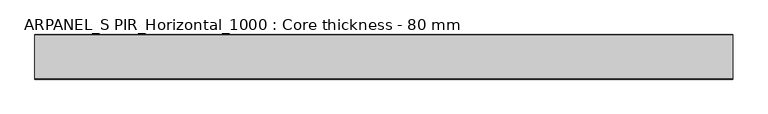
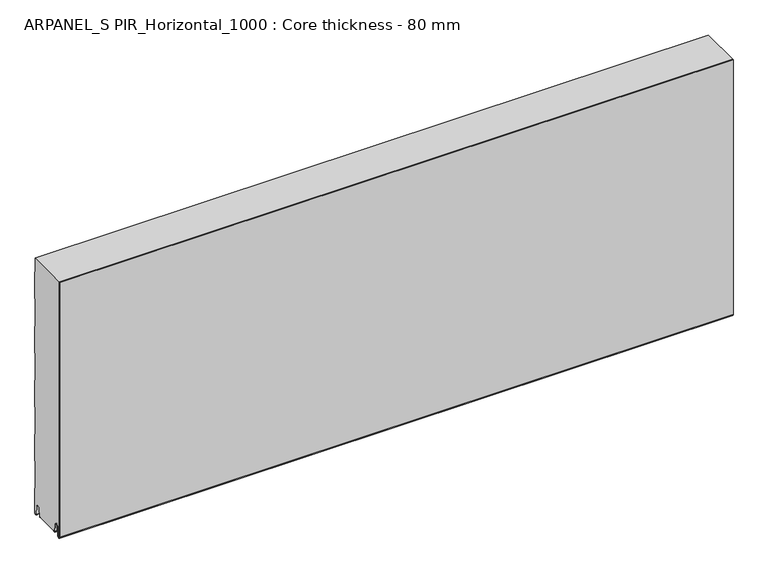
"""IFC4 building model written with IfcOpenShell, lengths in millimetres: plate geometry, ARPANEL_S PIR_Horizontal_1000 : Core thickness - 80 mm."""

from ifc_helpers import new_model, si_unit, frame, origin, place, context, project, spatial, polyline, circle_curve, source, transform, mapped, element, save
from ifc_brep_helpers import plane_surface, cylinder_surface, revolved_surface, advanced_brep


def arpanel_s_pir_horizontal_1000_core_thickness_80_mm_b45e87c7(model_context):
    return source(origin(), model_context, "Body", "AdvancedBrep", [
        advanced_brep(
        [(620.0, -79.9996949, 3.0900682), (620.0, -73.81449, 2.7875612), (620.0, -72.197116, 19.2828169), (620.0, -69.1776715, 21.9898782), (620.0, -66.1582271, 19.2828169), (620.0, -64.7725998, 5.1510966), (620.0, -60.3830995, 5.365779), (620.0, -61.1830995, 5.365779), (620.0, -63.9764178, 5.2291629), (620.0, -65.3620451, 19.3608832), (620.0, -69.1776715, 22.7899182), (620.0, -72.9932979, 19.3608832), (620.0, -74.6106719, 2.8656275), (620.0, -79.1996949, 3.0900682), (620.0, -79.2, 500.0), (620.0, -79.9996949, 500.0), (-620.0, -79.1996949, 3.0900682), (-620.0, -74.6106719, 2.8656275), (-620.0, -72.9932979, 19.3608832), (-620.0, -69.1776715, 22.7899182), (-620.0, -65.3620451, 19.3608832), (-620.0, -63.9764178, 5.2291629), (-620.0, -61.1830995, 5.365779), (-620.0, -60.3830995, 5.365779), (-620.0, -64.7725998, 5.1510966), (-620.0, -66.1582271, 19.2828169), (-620.0, -69.1776715, 21.9898782), (-620.0, -72.197116, 19.2828169), (-620.0, -73.81449, 2.7875612), (-620.0, -79.9996949, 3.0900682), (-620.0, -79.9996949, 500.0), (-620.0, -79.2, 500.0)],
        [
            (0, 1, circle_curve(frame((620.0, -76.8996949, 3.0900682), z_axis=(1.0, 0.0, 0.0), x_axis=(0.0, 0.0, -1.0)), 3.1)),
            (1, 2),
            (2, 3, circle_curve(frame((620.0, -69.2114338, 18.9900682), z_axis=(-1.0, 0.0, 0.0), x_axis=(0.0, 0.0, -1.0)), 3.0)),
            (3, 4, circle_curve(frame((620.0, -69.1439093, 18.9900682), z_axis=(-1.0, 0.0, 0.0), x_axis=(0.0, 0.0, -1.0)), 3.0)),
            (4, 5),
            (5, 6, circle_curve(frame((620.0, -62.5830995, 5.365779), z_axis=(1.0, 0.0, 0.0), x_axis=(0.0, 0.0, -1.0)), 2.2)),
            (6, 7),
            (7, 8, circle_curve(frame((620.0, -62.5830995, 5.365779), z_axis=(-1.0, 0.0, 0.0), x_axis=(0.0, 0.0, -1.0)), 1.4)),
            (8, 9),
            (9, 10, circle_curve(frame((620.0, -69.1439093, 18.9900682), z_axis=(1.0, 0.0, 0.0), x_axis=(0.0, 0.0, -1.0)), 3.8)),
            (10, 11, circle_curve(frame((620.0, -69.2114338, 18.9900682), z_axis=(1.0, 0.0, 0.0), x_axis=(0.0, 0.0, -1.0)), 3.8)),
            (11, 12),
            (12, 13, circle_curve(frame((620.0, -76.8996949, 3.0900682), z_axis=(-1.0, 0.0, 0.0), x_axis=(0.0, 0.0, -1.0)), 2.3)),
            (13, 14),
            (14, 15),
            (15, 0),
            (16, 17, circle_curve(frame((-620.0, -76.8996949, 3.0900682), z_axis=(1.0, 0.0, 0.0), x_axis=(0.0, 0.0, -1.0)), 2.3)),
            (17, 18),
            (18, 19, circle_curve(frame((-620.0, -69.2114338, 18.9900682), z_axis=(-1.0, 0.0, 0.0), x_axis=(0.0, 0.0, -1.0)), 3.8)),
            (19, 20, circle_curve(frame((-620.0, -69.1439093, 18.9900682), z_axis=(-1.0, 0.0, 0.0), x_axis=(0.0, 0.0, -1.0)), 3.8)),
            (20, 21),
            (21, 22, circle_curve(frame((-620.0, -62.5830995, 5.365779), z_axis=(1.0, 0.0, 0.0), x_axis=(0.0, 0.0, -1.0)), 1.4)),
            (22, 23),
            (23, 24, circle_curve(frame((-620.0, -62.5830995, 5.365779), z_axis=(-1.0, 0.0, 0.0), x_axis=(0.0, 0.0, -1.0)), 2.2)),
            (24, 25),
            (25, 26, circle_curve(frame((-620.0, -69.1439093, 18.9900682), z_axis=(1.0, 0.0, 0.0), x_axis=(0.0, 0.0, -1.0)), 3.0)),
            (26, 27, circle_curve(frame((-620.0, -69.2114338, 18.9900682), z_axis=(1.0, 0.0, 0.0), x_axis=(0.0, 0.0, -1.0)), 3.0)),
            (27, 28),
            (28, 29, circle_curve(frame((-620.0, -76.8996949, 3.0900682), z_axis=(-1.0, 0.0, 0.0), x_axis=(0.0, 0.0, -1.0)), 3.1)),
            (29, 30),
            (30, 31),
            (31, 16),
            (13, 16),
            (31, 14),
            (12, 17),
            (11, 18),
            (10, 19),
            (9, 20),
            (8, 21),
            (7, 22),
            (6, 23),
            (5, 24),
            (4, 25),
            (3, 26),
            (2, 27),
            (1, 28),
            (0, 29),
            (15, 30),
        ],
        [
            plane_surface(frame((620.0, -80.0, 0.0), z_axis=(1.0, 0.0, 0.0), x_axis=(0.0, 1.0, 0.0))),
            plane_surface(frame((-620.0, -80.0, 0.0), z_axis=(-1.0, 0.0, 0.0), x_axis=(0.0, 1.0, 0.0))),
            plane_surface(frame((620.0, -79.2, 3.0900682), z_axis=(0.0, 1.0, 0.0), x_axis=(-1.0, 0.0, 0.0))),
            revolved_surface(polyline([(-620.0, -76.8996949, 0.7900682000000003), (620.0, -76.8996949, 0.7900682000000003)]), (620.0, -76.8996949, 3.0900682), (-1.0, 0.0, 0.0)),
            plane_surface(frame((620.0, -72.9932979, 19.3608832), z_axis=(0.0, -0.9952273999818314, 0.09758289975914787), x_axis=(-1.0, 0.0, 0.0))),
            cylinder_surface(frame((620.0, -69.2114338, 18.9900682), z_axis=(1.0, 0.0, 0.0), x_axis=(0.0, 0.0, -1.0)), 3.8),
            cylinder_surface(frame((620.0, -69.1439093, 18.9900682), z_axis=(1.0, 0.0, 0.0), x_axis=(0.0, 0.0, -1.0)), 3.8),
            plane_surface(frame((620.0, -63.9764178, 5.2291629), z_axis=(0.0, 0.9952273999818297, 0.09758289975916531), x_axis=(-1.0, 0.0, 0.0))),
            revolved_surface(polyline([(-620.0, -62.5830995, 3.965779), (620.0, -62.5830995, 3.965779)]), (620.0, -62.5830995, 5.365779), (-1.0, 0.0, 0.0)),
            plane_surface(frame((620.0, -60.3830995, 5.365779), z_axis=(0.0, 0.0, 1.0), x_axis=(-1.0, 0.0, 0.0))),
            cylinder_surface(frame((620.0, -62.5830995, 5.365779), z_axis=(1.0, 0.0, 0.0), x_axis=(0.0, 0.0, -1.0)), 2.2),
            plane_surface(frame((620.0, -66.1582271, 19.2828169), z_axis=(0.0, -0.9952273999818296, -0.09758289975916527), x_axis=(-1.0, 0.0, 0.0))),
            revolved_surface(polyline([(-620.0, -69.1439093, 15.9900682), (620.0, -69.1439093, 15.9900682)]), (620.0, -69.1439093, 18.9900682), (-1.0, 0.0, 0.0)),
            revolved_surface(polyline([(-620.0, -69.2114338, 15.9900682), (620.0, -69.2114338, 15.9900682)]), (620.0, -69.2114338, 18.9900682), (-1.0, 0.0, 0.0)),
            plane_surface(frame((620.0, -73.81449, 2.7875612), z_axis=(0.0, 0.9952273999818314, -0.09758289975914787), x_axis=(-1.0, 0.0, 0.0))),
            cylinder_surface(frame((620.0, -76.8996949, 3.0900682), z_axis=(1.0, 0.0, 0.0), x_axis=(0.0, 0.0, -1.0)), 3.1),
            plane_surface(frame((620.0, -79.9996949, 993.9000005), z_axis=(0.0, -1.0, 0.0), x_axis=(-1.0, 0.0, 0.0))),
            plane_surface(frame((-620.0, 134.0533409, 500.0), z_axis=(0.0, 0.0, 1.0), x_axis=(1.0, 0.0, 0.0))),
        ],
        [
            (0, [[1, 2, 3, 4, 5, 6, 7, 8, 9, 10, 11, 12, 13, 14, 15, 16]]),
            (1, [[17, 18, 19, 20, 21, 22, 23, 24, 25, 26, 27, 28, 29, 30, 31, 32]]),
            (2, [[33, -32, 34, -14]]),
            (3, [[-13, 35, -17, -33]]),
            (4, [[-12, 36, -18, -35]]),
            (5, [[-11, 37, -19, -36]]),
            (6, [[-10, 38, -20, -37]]),
            (7, [[-9, 39, -21, -38]]),
            (8, [[-8, 40, -22, -39]]),
            (9, [[-7, 41, -23, -40]]),
            (10, [[-6, 42, -24, -41]]),
            (11, [[-5, 43, -25, -42]]),
            (12, [[-4, 44, -26, -43]]),
            (13, [[-3, 45, -27, -44]]),
            (14, [[-2, 46, -28, -45]]),
            (15, [[-1, 47, -29, -46]]),
            (16, [[-47, -16, 48, -30]]),
            (17, [[-15, -34, -31, -48]]),
        ],
    ),
        advanced_brep(
        [(620.0, -19.3897461, 4.3921875), (620.0, -19.6169005, 5.365779), (620.0, -18.8169005, 5.365779), (620.0, -16.0235822, 5.2291629), (620.0, -14.6379549, 19.3608832), (620.0, -10.8223285, 22.7899182), (620.0, -7.0067021, 19.3608832), (620.0, -5.3893281, 2.8656275), (620.0, -0.8003051, 3.0900682), (620.0, -0.8, 49.9459237), (620.0, -1.0986697, 50.9973395), (620.0, -1.5003051, 52.4177205), (620.0, -1.5003051, 102.5775037), (620.0, -1.0971009, 103.9969151), (620.0, -0.8, 105.0493005), (620.0, -0.8, 155.2090837), (620.0, -1.0986697, 156.2604995), (620.0, -1.5003051, 157.6808805), (620.0, -1.5003051, 207.8406637), (620.0, -1.0971009, 209.2600751), (620.0, -0.8, 210.3124605), (620.0, -0.8, 260.4722437), (620.0, -1.0986697, 261.5236595), (620.0, -1.5003051, 262.9440405), (620.0, -1.5003051, 313.1038237), (620.0, -1.0971009, 314.5232351), (620.0, -0.8, 315.5756205), (620.0, -0.8, 365.7354037), (620.0, -1.0986697, 366.7868195), (620.0, -1.5003051, 368.2072005), (620.0, -1.5003051, 418.3669837), (620.0, -1.0971009, 419.7863951), (620.0, -0.8, 420.8387805), (620.0, -0.8, 470.9985637), (620.0, -1.0986697, 472.0499795), (620.0, -1.5003051, 473.4703605), (620.0, -1.5003051, 500.0), (620.0, -79.2, 500.0), (620.0, -79.2, 3.0900682), (620.0, -74.6106719, 2.8656275), (620.0, -72.9932979, 19.3608832), (620.0, -69.1776715, 22.7899182), (620.0, -65.3620451, 19.3608832), (620.0, -63.9764178, 5.2291629), (620.0, -61.1830995, 5.365779), (620.0, -60.3830995, 5.365779), (620.0, -60.6102539, 4.3921875), (-620.0, -19.6169005, 5.365779), (-620.0, -19.3897461, 4.3921875), (-620.0, -60.6102539, 4.3921875), (-620.0, -60.3830995, 5.365779), (-620.0, -61.1830995, 5.365779), (-620.0, -61.5446132, 4.4268721), (-620.0, -63.9764178, 5.2291629), (-620.0, -65.3620451, 19.3608832), (-620.0, -69.1776715, 22.7899182), (-620.0, -72.9932979, 19.3608832), (-620.0, -74.6106719, 2.8656275), (-620.0, -79.1996949, 3.0900682), (-620.0, -79.2, 500.0), (-620.0, -1.5003051, 500.0), (-620.0, -1.5003051, 473.4703605), (-620.0, -1.0971009, 472.0509491), (-620.0, -0.8, 470.9985637), (-620.0, -0.8, 420.8387805), (-620.0, -1.0986697, 419.7873646), (-620.0, -1.5003051, 418.3669837), (-620.0, -1.5003051, 368.2072005), (-620.0, -1.0971009, 366.7877891), (-620.0, -0.8, 365.7354037), (-620.0, -0.8, 315.5756205), (-620.0, -1.0986697, 314.5242046), (-620.0, -1.5003051, 313.1038237), (-620.0, -1.5003051, 262.9440405), (-620.0, -1.0971009, 261.5246291), (-620.0, -0.8, 260.4722437), (-620.0, -0.8, 210.3124605), (-620.0, -1.0986697, 209.2610446), (-620.0, -1.5003051, 207.8406637), (-620.0, -1.5003051, 157.6808805), (-620.0, -1.0971009, 156.2614691), (-620.0, -0.8, 155.2090837), (-620.0, -0.8, 105.0493005), (-620.0, -1.0986697, 103.9978846), (-620.0, -1.5003051, 102.5775037), (-620.0, -1.5003051, 52.4177205), (-620.0, -1.0971009, 50.9983091), (-620.0, -0.8, 49.9459237), (-620.0, -0.8, 3.0900682), (-620.0, -5.3893281, 2.8656275), (-620.0, -7.0067021, 19.3608832), (-620.0, -10.8223285, 22.7899182), (-620.0, -14.6379549, 19.3608832), (-620.0, -16.0235822, 5.2291629), (-620.0, -18.4553868, 4.4268721), (-620.0, -18.8169005, 5.365779)],
        [
            (0, 1, circle_curve(frame((620.0, -17.4169005, 5.365779), z_axis=(-1.0, 0.0, 0.0), x_axis=(0.0, 0.0, -1.0)), 2.2)),
            (1, 2),
            (2, 3, circle_curve(frame((620.0, -17.4169005, 5.365779), z_axis=(1.0, 0.0, 0.0), x_axis=(0.0, 0.0, -1.0)), 1.4)),
            (3, 4),
            (4, 5, circle_curve(frame((620.0, -10.8560907, 18.9900682), z_axis=(-1.0, 0.0, 0.0), x_axis=(0.0, 0.0, -1.0)), 3.8)),
            (5, 6, circle_curve(frame((620.0, -10.7885662, 18.9900682), z_axis=(-1.0, 0.0, 0.0), x_axis=(0.0, 0.0, -1.0)), 3.8)),
            (6, 7),
            (7, 8, circle_curve(frame((620.0, -3.1003051, 3.0900682), z_axis=(1.0, 0.0, 0.0), x_axis=(0.0, 0.0, -1.0)), 2.3)),
            (8, 9),
            (9, 10, circle_curve(frame((620.0, -2.8, 49.9459237), z_axis=(1.0, 0.0, 0.0), x_axis=(0.0, 0.0, -1.0)), 2.0)),
            (10, 11, circle_curve(frame((620.0, 1.1996949, 52.4177205), z_axis=(-1.0, 0.0, 0.0), x_axis=(0.0, 0.0, -1.0)), 2.7)),
            (11, 12),
            (12, 13, circle_curve(frame((620.0, 1.1996949, 102.5775037), z_axis=(-1.0, 0.0, 0.0), x_axis=(0.0, 0.0, -1.0)), 2.7)),
            (13, 14, circle_curve(frame((620.0, -2.8, 105.0493005), z_axis=(1.0, 0.0, 0.0), x_axis=(0.0, 0.0, -1.0)), 2.0)),
            (14, 15),
            (15, 16, circle_curve(frame((620.0, -2.8, 155.2090837), z_axis=(1.0, 0.0, 0.0), x_axis=(0.0, 0.0, -1.0)), 2.0)),
            (16, 17, circle_curve(frame((620.0, 1.1996949, 157.6808805), z_axis=(-1.0, 0.0, 0.0), x_axis=(0.0, 0.0, -1.0)), 2.7)),
            (17, 18),
            (18, 19, circle_curve(frame((620.0, 1.1996949, 207.8406637), z_axis=(-1.0, 0.0, 0.0), x_axis=(0.0, 0.0, -1.0)), 2.7)),
            (19, 20, circle_curve(frame((620.0, -2.8, 210.3124605), z_axis=(1.0, 0.0, 0.0), x_axis=(0.0, 0.0, -1.0)), 2.0)),
            (20, 21),
            (21, 22, circle_curve(frame((620.0, -2.8, 260.4722437), z_axis=(1.0, 0.0, 0.0), x_axis=(0.0, 0.0, -1.0)), 2.0)),
            (22, 23, circle_curve(frame((620.0, 1.1996949, 262.9440405), z_axis=(-1.0, 0.0, 0.0), x_axis=(0.0, 0.0, -1.0)), 2.7)),
            (23, 24),
            (24, 25, circle_curve(frame((620.0, 1.1996949, 313.1038237), z_axis=(-1.0, 0.0, 0.0), x_axis=(0.0, 0.0, -1.0)), 2.7)),
            (25, 26, circle_curve(frame((620.0, -2.8, 315.5756205), z_axis=(1.0, 0.0, 0.0), x_axis=(0.0, 0.0, -1.0)), 2.0)),
            (26, 27),
            (27, 28, circle_curve(frame((620.0, -2.8, 365.7354037), z_axis=(1.0, 0.0, 0.0), x_axis=(0.0, 0.0, -1.0)), 2.0)),
            (28, 29, circle_curve(frame((620.0, 1.1996949, 368.2072005), z_axis=(-1.0, 0.0, 0.0), x_axis=(0.0, 0.0, -1.0)), 2.7)),
            (29, 30),
            (30, 31, circle_curve(frame((620.0, 1.1996949, 418.3669837), z_axis=(-1.0, 0.0, 0.0), x_axis=(0.0, 0.0, -1.0)), 2.7)),
            (31, 32, circle_curve(frame((620.0, -2.8, 420.8387805), z_axis=(1.0, 0.0, 0.0), x_axis=(0.0, 0.0, -1.0)), 2.0)),
            (32, 33),
            (33, 34, circle_curve(frame((620.0, -2.8, 470.9985637), z_axis=(1.0, 0.0, 0.0), x_axis=(0.0, 0.0, -1.0)), 2.0)),
            (34, 35, circle_curve(frame((620.0, 1.1996949, 473.4703605), z_axis=(-1.0, 0.0, 0.0), x_axis=(0.0, 0.0, -1.0)), 2.7)),
            (35, 36),
            (36, 37),
            (37, 38),
            (38, 39, circle_curve(frame((620.0, -76.8996949, 3.0900682), z_axis=(1.0, 0.0, 0.0), x_axis=(0.0, 0.0, -1.0)), 2.3)),
            (39, 40),
            (40, 41, circle_curve(frame((620.0, -69.2114338, 18.9900682), z_axis=(-1.0, 0.0, 0.0), x_axis=(0.0, 0.0, -1.0)), 3.8)),
            (41, 42, circle_curve(frame((620.0, -69.1439093, 18.9900682), z_axis=(-1.0, 0.0, 0.0), x_axis=(0.0, 0.0, -1.0)), 3.8)),
            (42, 43),
            (43, 44, circle_curve(frame((620.0, -62.5830995, 5.365779), z_axis=(1.0, 0.0, 0.0), x_axis=(0.0, 0.0, -1.0)), 1.4)),
            (44, 45),
            (45, 46, circle_curve(frame((620.0, -62.5830995, 5.365779), z_axis=(-1.0, 0.0, 0.0), x_axis=(0.0, 0.0, -1.0)), 2.2)),
            (46, 0),
            (47, 48, circle_curve(frame((-620.0, -17.4169005, 5.365779), z_axis=(1.0, 0.0, 0.0), x_axis=(0.0, 0.0, -1.0)), 2.2)),
            (48, 49),
            (49, 50, circle_curve(frame((-620.0, -62.5830995, 5.365779), z_axis=(1.0, 0.0, 0.0), x_axis=(0.0, 0.0, -1.0)), 2.2)),
            (50, 51),
            (51, 52, circle_curve(frame((-620.0, -62.5830995, 5.365779), z_axis=(-1.0, 0.0, 0.0), x_axis=(0.0, 0.0, -1.0)), 1.4)),
            (52, 53, circle_curve(frame((-620.0, -62.5830995, 5.365779), z_axis=(-1.0, 0.0, 0.0), x_axis=(0.0, 0.0, -1.0)), 1.4)),
            (53, 54),
            (54, 55, circle_curve(frame((-620.0, -69.1439093, 18.9900682), z_axis=(1.0, 0.0, 0.0), x_axis=(0.0, 0.0, -1.0)), 3.8)),
            (55, 56, circle_curve(frame((-620.0, -69.2114338, 18.9900682), z_axis=(1.0, 0.0, 0.0), x_axis=(0.0, 0.0, -1.0)), 3.8)),
            (56, 57),
            (57, 58, circle_curve(frame((-620.0, -76.8996949, 3.0900682), z_axis=(-1.0, 0.0, 0.0), x_axis=(0.0, 0.0, -1.0)), 2.3)),
            (58, 59),
            (59, 60),
            (60, 61),
            (61, 62, circle_curve(frame((-620.0, 1.1996949, 473.4703605), z_axis=(1.0, 0.0, 0.0), x_axis=(0.0, 0.0, -1.0)), 2.7)),
            (62, 63, circle_curve(frame((-620.0, -2.8, 470.9985637), z_axis=(-1.0, 0.0, 0.0), x_axis=(0.0, 0.0, -1.0)), 2.0)),
            (63, 64),
            (64, 65, circle_curve(frame((-620.0, -2.8, 420.8387805), z_axis=(-1.0, 0.0, 0.0), x_axis=(0.0, 0.0, -1.0)), 2.0)),
            (65, 66, circle_curve(frame((-620.0, 1.1996949, 418.3669837), z_axis=(1.0, 0.0, 0.0), x_axis=(0.0, 0.0, -1.0)), 2.7)),
            (66, 67),
            (67, 68, circle_curve(frame((-620.0, 1.1996949, 368.2072005), z_axis=(1.0, 0.0, 0.0), x_axis=(0.0, 0.0, -1.0)), 2.7)),
            (68, 69, circle_curve(frame((-620.0, -2.8, 365.7354037), z_axis=(-1.0, 0.0, 0.0), x_axis=(0.0, 0.0, -1.0)), 2.0)),
            (69, 70),
            (70, 71, circle_curve(frame((-620.0, -2.8, 315.5756205), z_axis=(-1.0, 0.0, 0.0), x_axis=(0.0, 0.0, -1.0)), 2.0)),
            (71, 72, circle_curve(frame((-620.0, 1.1996949, 313.1038237), z_axis=(1.0, 0.0, 0.0), x_axis=(0.0, 0.0, -1.0)), 2.7)),
            (72, 73),
            (73, 74, circle_curve(frame((-620.0, 1.1996949, 262.9440405), z_axis=(1.0, 0.0, 0.0), x_axis=(0.0, 0.0, -1.0)), 2.7)),
            (74, 75, circle_curve(frame((-620.0, -2.8, 260.4722437), z_axis=(-1.0, 0.0, 0.0), x_axis=(0.0, 0.0, -1.0)), 2.0)),
            (75, 76),
            (76, 77, circle_curve(frame((-620.0, -2.8, 210.3124605), z_axis=(-1.0, 0.0, 0.0), x_axis=(0.0, 0.0, -1.0)), 2.0)),
            (77, 78, circle_curve(frame((-620.0, 1.1996949, 207.8406637), z_axis=(1.0, 0.0, 0.0), x_axis=(0.0, 0.0, -1.0)), 2.7)),
            (78, 79),
            (79, 80, circle_curve(frame((-620.0, 1.1996949, 157.6808805), z_axis=(1.0, 0.0, 0.0), x_axis=(0.0, 0.0, -1.0)), 2.7)),
            (80, 81, circle_curve(frame((-620.0, -2.8, 155.2090837), z_axis=(-1.0, 0.0, 0.0), x_axis=(0.0, 0.0, -1.0)), 2.0)),
            (81, 82),
            (82, 83, circle_curve(frame((-620.0, -2.8, 105.0493005), z_axis=(-1.0, 0.0, 0.0), x_axis=(0.0, 0.0, -1.0)), 2.0)),
            (83, 84, circle_curve(frame((-620.0, 1.1996949, 102.5775037), z_axis=(1.0, 0.0, 0.0), x_axis=(0.0, 0.0, -1.0)), 2.7)),
            (84, 85),
            (85, 86, circle_curve(frame((-620.0, 1.1996949, 52.4177205), z_axis=(1.0, 0.0, 0.0), x_axis=(0.0, 0.0, -1.0)), 2.7)),
            (86, 87, circle_curve(frame((-620.0, -2.8, 49.9459237), z_axis=(-1.0, 0.0, 0.0), x_axis=(0.0, 0.0, -1.0)), 2.0)),
            (87, 88),
            (88, 89, circle_curve(frame((-620.0, -3.1003051, 3.0900682), z_axis=(-1.0, 0.0, 0.0), x_axis=(0.0, 0.0, -1.0)), 2.3)),
            (89, 90),
            (90, 91, circle_curve(frame((-620.0, -10.7885662, 18.9900682), z_axis=(1.0, 0.0, 0.0), x_axis=(0.0, 0.0, -1.0)), 3.8)),
            (91, 92, circle_curve(frame((-620.0, -10.8560907, 18.9900682), z_axis=(1.0, 0.0, 0.0), x_axis=(0.0, 0.0, -1.0)), 3.8)),
            (92, 93),
            (93, 94, circle_curve(frame((-620.0, -17.4169005, 5.365779), z_axis=(-1.0, 0.0, 0.0), x_axis=(0.0, 0.0, -1.0)), 1.4)),
            (94, 95, circle_curve(frame((-620.0, -17.4169005, 5.365779), z_axis=(-1.0, 0.0, 0.0), x_axis=(0.0, 0.0, -1.0)), 1.4)),
            (95, 47),
            (47, 1),
            (0, 48),
            (95, 2),
            (93, 3),
            (92, 4),
            (91, 5),
            (90, 6),
            (89, 7),
            (88, 8),
            (87, 9),
            (86, 10),
            (85, 11),
            (84, 12),
            (83, 13),
            (82, 14),
            (81, 15),
            (80, 16),
            (79, 17),
            (78, 18),
            (77, 19),
            (76, 20),
            (75, 21),
            (74, 22),
            (73, 23),
            (72, 24),
            (71, 25),
            (70, 26),
            (69, 27),
            (68, 28),
            (67, 29),
            (66, 30),
            (65, 31),
            (64, 32),
            (63, 33),
            (62, 34),
            (61, 35),
            (60, 36),
            (58, 38),
            (37, 59),
            (57, 39),
            (56, 40),
            (55, 41),
            (54, 42),
            (53, 43),
            (51, 44),
            (50, 45),
            (49, 46),
        ],
        [
            plane_surface(frame((620.0, 0.0, 0.0), z_axis=(1.0, 0.0, 0.0), x_axis=(0.0, -1.0, 0.0))),
            plane_surface(frame((-620.0, 0.0, 0.0), z_axis=(-1.0, 0.0, 0.0), x_axis=(0.0, -1.0, 0.0))),
            revolved_surface(polyline([(620.0, -17.4169005, 3.1657789999999997), (-620.0, -17.4169005, 3.1657789999999997)]), (750.0, -17.4169005, 5.365779), (1.0, 0.0, 0.0)),
            plane_surface(frame((750.0, -18.8169005, 5.365779), z_axis=(0.0, 0.0, -1.0), x_axis=(-1.0, 0.0, 0.0))),
            cylinder_surface(frame((750.0, -17.4169005, 5.365779), z_axis=(-1.0, 0.0, 0.0), x_axis=(0.0, 0.0, -1.0)), 1.4),
            plane_surface(frame((750.0, -14.6379549, 19.3608832), z_axis=(0.0, 0.9952273999818297, -0.09758289975916531), x_axis=(-1.0, 0.0, 0.0))),
            revolved_surface(polyline([(620.0, -10.8560907, 15.190068199999999), (-620.0, -10.8560907, 15.190068199999999)]), (750.0, -10.8560907, 18.9900682), (1.0, 0.0, 0.0)),
            revolved_surface(polyline([(620.0, -10.7885662, 15.190068199999999), (-620.0, -10.7885662, 15.190068199999999)]), (750.0, -10.7885662, 18.9900682), (1.0, 0.0, 0.0)),
            plane_surface(frame((750.0, -5.3893281, 2.8656275), z_axis=(0.0, -0.9952273999818314, -0.09758289975914787), x_axis=(-1.0, 0.0, 0.0))),
            cylinder_surface(frame((750.0, -3.1003051, 3.0900682), z_axis=(-1.0, 0.0, 0.0), x_axis=(0.0, 0.0, -1.0)), 2.3),
            plane_surface(frame((750.0, -0.8, 49.9459237), z_axis=(0.0, 1.0, 0.0), x_axis=(-1.0, 0.0, 0.0))),
            cylinder_surface(frame((750.0, -2.8, 49.9459237), z_axis=(-1.0, 0.0, 0.0), x_axis=(0.0, 0.0, -1.0)), 2.0),
            revolved_surface(polyline([(620.0, 1.1996949, 49.7177205), (-620.0, 1.1996949, 49.7177205)]), (750.0, 1.1996949, 52.4177205), (1.0, 0.0, 0.0)),
            plane_surface(frame((750.0, -1.5003051, 102.5775037), z_axis=(0.0, 1.0, 0.0), x_axis=(-1.0, 0.0, 0.0))),
            revolved_surface(polyline([(620.0, 1.1996949, 99.87750369999999), (-620.0, 1.1996949, 99.87750369999999)]), (750.0, 1.1996949, 102.5775037), (1.0, 0.0, 0.0)),
            cylinder_surface(frame((750.0, -2.8, 105.0493005), z_axis=(-1.0, 0.0, 0.0), x_axis=(0.0, 0.0, -1.0)), 2.0),
            plane_surface(frame((750.0, -0.8, 155.2090837), z_axis=(0.0, 1.0, 0.0), x_axis=(-1.0, 0.0, 0.0))),
            cylinder_surface(frame((750.0, -2.8, 155.2090837), z_axis=(-1.0, 0.0, 0.0), x_axis=(0.0, 0.0, -1.0)), 2.0),
            revolved_surface(polyline([(620.0, 1.1996949, 154.9808805), (-620.0, 1.1996949, 154.9808805)]), (750.0, 1.1996949, 157.6808805), (1.0, 0.0, 0.0)),
            plane_surface(frame((750.0, -1.5003051, 207.8406637), z_axis=(0.0, 1.0, 0.0), x_axis=(-1.0, 0.0, 0.0))),
            revolved_surface(polyline([(620.0, 1.1996949, 205.1406637), (-620.0, 1.1996949, 205.1406637)]), (750.0, 1.1996949, 207.8406637), (1.0, 0.0, 0.0)),
            cylinder_surface(frame((750.0, -2.8, 210.3124605), z_axis=(-1.0, 0.0, 0.0), x_axis=(0.0, 0.0, -1.0)), 2.0),
            plane_surface(frame((750.0, -0.8, 260.4722437), z_axis=(0.0, 1.0, 0.0), x_axis=(-1.0, 0.0, 0.0))),
            cylinder_surface(frame((750.0, -2.8, 260.4722437), z_axis=(-1.0, 0.0, 0.0), x_axis=(0.0, 0.0, -1.0)), 2.0),
            revolved_surface(polyline([(620.0, 1.1996949, 260.24404050000004), (-620.0, 1.1996949, 260.24404050000004)]), (750.0, 1.1996949, 262.9440405), (1.0, 0.0, 0.0)),
            plane_surface(frame((750.0, -1.5003051, 313.1038237), z_axis=(0.0, 1.0, 0.0), x_axis=(-1.0, 0.0, 0.0))),
            revolved_surface(polyline([(620.0, 1.1996949, 310.40382370000003), (-620.0, 1.1996949, 310.40382370000003)]), (750.0, 1.1996949, 313.1038237), (1.0, 0.0, 0.0)),
            cylinder_surface(frame((750.0, -2.8, 315.5756205), z_axis=(-1.0, 0.0, 0.0), x_axis=(0.0, 0.0, -1.0)), 2.0),
            plane_surface(frame((750.0, -0.8, 365.7354037), z_axis=(0.0, 1.0, 0.0), x_axis=(-1.0, 0.0, 0.0))),
            cylinder_surface(frame((750.0, -2.8, 365.7354037), z_axis=(-1.0, 0.0, 0.0), x_axis=(0.0, 0.0, -1.0)), 2.0),
            revolved_surface(polyline([(620.0, 1.1996949, 365.5072005), (-620.0, 1.1996949, 365.5072005)]), (750.0, 1.1996949, 368.2072005), (1.0, 0.0, 0.0)),
            plane_surface(frame((750.0, -1.5003051, 418.3669837), z_axis=(0.0, 1.0, 0.0), x_axis=(-1.0, 0.0, 0.0))),
            revolved_surface(polyline([(620.0, 1.1996949, 415.6669837), (-620.0, 1.1996949, 415.6669837)]), (750.0, 1.1996949, 418.3669837), (1.0, 0.0, 0.0)),
            cylinder_surface(frame((750.0, -2.8, 420.8387805), z_axis=(-1.0, 0.0, 0.0), x_axis=(0.0, 0.0, -1.0)), 2.0),
            plane_surface(frame((750.0, -0.8, 470.9985637), z_axis=(0.0, 1.0, 0.0), x_axis=(-1.0, 0.0, 0.0))),
            cylinder_surface(frame((750.0, -2.8, 470.9985637), z_axis=(-1.0, 0.0, 0.0), x_axis=(0.0, 0.0, -1.0)), 2.0),
            revolved_surface(polyline([(620.0, 1.1996949, 470.77036050000004), (-620.0, 1.1996949, 470.77036050000004)]), (750.0, 1.1996949, 473.4703605), (1.0, 0.0, 0.0)),
            plane_surface(frame((750.0, -1.5003051, 523.6301437), z_axis=(0.0, 1.0, 0.0), x_axis=(-1.0, 0.0, 0.0))),
            plane_surface(frame((750.0, -79.2, 3.0900682), z_axis=(0.0, -1.0, 0.0), x_axis=(-1.0, 0.0, 0.0))),
            cylinder_surface(frame((750.0, -76.8996949, 3.0900682), z_axis=(-1.0, 0.0, 0.0), x_axis=(0.0, 0.0, -1.0)), 2.3),
            plane_surface(frame((750.0, -72.9932979, 19.3608832), z_axis=(0.0, 0.9952273999818314, -0.09758289975914787), x_axis=(-1.0, 0.0, 0.0))),
            revolved_surface(polyline([(620.0, -69.2114338, 15.190068199999999), (-620.0, -69.2114338, 15.190068199999999)]), (750.0, -69.2114338, 18.9900682), (1.0, 0.0, 0.0)),
            revolved_surface(polyline([(620.0, -69.1439093, 15.190068199999999), (-620.0, -69.1439093, 15.190068199999999)]), (750.0, -69.1439093, 18.9900682), (1.0, 0.0, 0.0)),
            plane_surface(frame((750.0, -63.9764178, 5.2291629), z_axis=(0.0, -0.9952273999818297, -0.09758289975916531), x_axis=(-1.0, 0.0, 0.0))),
            cylinder_surface(frame((750.0, -62.5830995, 5.365779), z_axis=(-1.0, 0.0, 0.0), x_axis=(0.0, 0.0, -1.0)), 1.4),
            plane_surface(frame((750.0, -60.3830995, 5.365779), z_axis=(0.0, 0.0, -1.0), x_axis=(-1.0, 0.0, 0.0))),
            revolved_surface(polyline([(620.0, -62.5830995, 3.1657789999999997), (-620.0, -62.5830995, 3.1657789999999997)]), (750.0, -62.5830995, 5.365779), (1.0, 0.0, 0.0)),
            plane_surface(frame((620.0, -61.50625, 4.3921875), z_axis=(0.0, 0.0, -1.0), x_axis=(-1.0, 0.0, 0.0))),
            plane_surface(frame((-620.0, 134.0533409, 500.0), z_axis=(0.0, 0.0, 1.0), x_axis=(1.0, 0.0, 0.0))),
        ],
        [
            (0, [[1, 2, 3, 4, 5, 6, 7, 8, 9, 10, 11, 12, 13, 14, 15, 16, 17, 18, 19, 20, 21, 22, 23, 24, 25, 26, 27, 28, 29, 30, 31, 32, 33, 34, 35, 36, 37, 38, 39, 40, 41, 42, 43, 44, 45, 46, 47]]),
            (1, [[48, 49, 50, 51, 52, 53, 54, 55, 56, 57, 58, 59, 60, 61, 62, 63, 64, 65, 66, 67, 68, 69, 70, 71, 72, 73, 74, 75, 76, 77, 78, 79, 80, 81, 82, 83, 84, 85, 86, 87, 88, 89, 90, 91, 92, 93, 94, 95, 96]]),
            (2, [[97, -1, 98, -48]]),
            (3, [[-97, -96, 99, -2]]),
            (4, [[-99, -95, -94, 100, -3]]),
            (5, [[-100, -93, 101, -4]]),
            (6, [[-101, -92, 102, -5]]),
            (7, [[-102, -91, 103, -6]]),
            (8, [[-103, -90, 104, -7]]),
            (9, [[-104, -89, 105, -8]]),
            (10, [[-105, -88, 106, -9]]),
            (11, [[-106, -87, 107, -10]]),
            (12, [[-107, -86, 108, -11]]),
            (13, [[-108, -85, 109, -12]]),
            (14, [[-109, -84, 110, -13]]),
            (15, [[-110, -83, 111, -14]]),
            (16, [[-111, -82, 112, -15]]),
            (17, [[-112, -81, 113, -16]]),
            (18, [[-113, -80, 114, -17]]),
            (19, [[-114, -79, 115, -18]]),
            (20, [[-115, -78, 116, -19]]),
            (21, [[-116, -77, 117, -20]]),
            (22, [[-117, -76, 118, -21]]),
            (23, [[-118, -75, 119, -22]]),
            (24, [[-119, -74, 120, -23]]),
            (25, [[-120, -73, 121, -24]]),
            (26, [[-121, -72, 122, -25]]),
            (27, [[-122, -71, 123, -26]]),
            (28, [[-123, -70, 124, -27]]),
            (29, [[-124, -69, 125, -28]]),
            (30, [[-125, -68, 126, -29]]),
            (31, [[-126, -67, 127, -30]]),
            (32, [[-127, -66, 128, -31]]),
            (33, [[-128, -65, 129, -32]]),
            (34, [[-129, -64, 130, -33]]),
            (35, [[-130, -63, 131, -34]]),
            (36, [[-131, -62, 132, -35]]),
            (37, [[-132, -61, 133, -36]]),
            (38, [[134, -38, 135, -59]]),
            (39, [[-134, -58, 136, -39]]),
            (40, [[-136, -57, 137, -40]]),
            (41, [[-137, -56, 138, -41]]),
            (42, [[-138, -55, 139, -42]]),
            (43, [[-139, -54, 140, -43]]),
            (44, [[-140, -53, -52, 141, -44]]),
            (45, [[-141, -51, 142, -45]]),
            (46, [[-142, -50, 143, -46]]),
            (47, [[-98, -47, -143, -49]]),
            (48, [[-133, -60, -135, -37]]),
        ],
    ),
    ])


if __name__ == "__main__":
    model = new_model("IFC4")
    model_context = context("Model", 3, world=origin())
    ifc_project = project(units=[si_unit("LENGTHUNIT", "METRE", prefix="MILLI")], contexts=[model_context])
    site = spatial("IfcSite", under=ifc_project)
    building = spatial("IfcBuilding", under=site)
    placement = place(None, origin())
    arpanel_s_pir_horizontal_1000_core_thickness_80_mm_shape = arpanel_s_pir_horizontal_1000_core_thickness_80_mm_b45e87c7(model_context)
    element("IfcPlate", 1, ObjectType="ARPANEL_S PIR_Horizontal_1000 : Core thickness - 80 mm", at=placement, inside=building, context=model_context, shape_type="MappedRepresentation", body=[
        mapped(arpanel_s_pir_horizontal_1000_core_thickness_80_mm_shape, transform((0.0, 0.0, 0.0), x_axis=(1.0, 0.0, 0.0), y_axis=(0.0, 1.0, 0.0), z_axis=(0.0, 0.0, 1.0))),
    ])
    save(model, "model.ifc")
